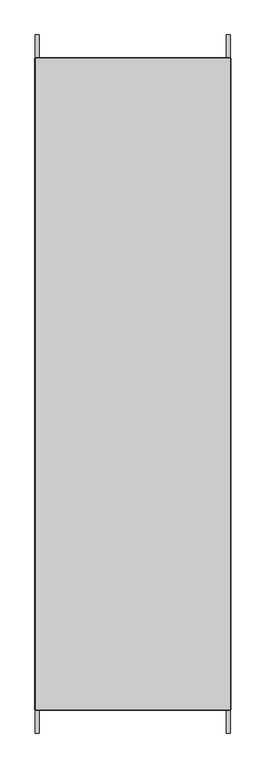
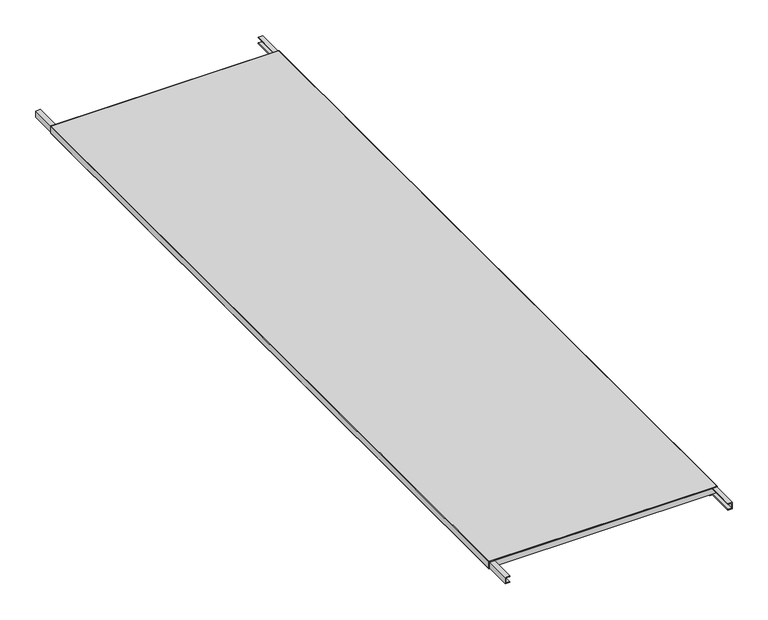
"""IFC4 building model written with IfcOpenShell, lengths in millimetres: proxy geometry."""

from ifc_helpers import new_model, si_unit, point, frame, frame_2d, origin, place, context, project, spatial, polyline, circle_curve, trimmed, segment, composite_curve, outline, extrude, source, transform, mapped, element, save
from ifc_brep_helpers import plane_surface, cylinder_surface, advanced_brep


def generic_models_5cea2504(model_context):
    return source(origin(), model_context, "Body", "SolidModel", [
        extrude(outline(polyline([(25.0, 410.0), (25.0, 425.0), (5.0, 425.0), (5.0, 410.0), (2.5, 410.0), (2.5, 427.5), (27.5, 427.5), (27.5, 410.0), (25.0, 410.0)])), frame((0.0, -1530.0, 0.0), z_axis=(0.0, 1.0, 0.0), x_axis=(0.0, 0.0, 1.0)), (0.0, 0.0, 1.0), 3060.0),
        extrude(outline(composite_curve([segment(trimmed(circle_curve(frame_2d((27.5, 427.5)), 2.5), [point((27.5, 430.0))], [point((30.0, 427.5))], False, "CARTESIAN"), True, "CONTINUOUS"), segment(polyline([(30.0, 427.5), (30.0, -427.5)]), True, "CONTINUOUS"), segment(trimmed(circle_curve(frame_2d((27.5, -427.5)), 2.5), [point((30.0, -427.5))], [point((27.5, -430.0))], False, "CARTESIAN"), True, "CONTINUOUS"), segment(polyline([(27.5, -430.0), (2.5, -430.0)]), True, "CONTINUOUS"), segment(trimmed(circle_curve(frame_2d((2.5, -427.5)), 2.5), [point((2.5, -430.0))], [point((0.0, -427.5))], False, "CARTESIAN"), True, "CONTINUOUS"), segment(polyline([(0.0, -427.5), (0.0, -400.0), (2.5, -400.0), (2.5, -427.5), (27.5, -427.5), (27.5, 427.5), (2.5, 427.5), (2.5, 400.0), (0.0, 400.0), (0.0, 427.5)]), True, "CONTINUOUS"), segment(trimmed(circle_curve(frame_2d((2.5, 427.5)), 2.5), [point((0.0, 427.5))], [point((2.5, 430.0))], False, "CARTESIAN"), True, "CONTINUOUS"), segment(polyline([(2.5, 430.0), (27.5, 430.0)]), True, "CONTINUOUS")], self_intersect=False)), frame((0.0, -1427.5, 0.0), z_axis=(0.0, 1.0, 0.0), x_axis=(0.0, 0.0, 1.0)), (0.0, 0.0, 1.0), 2855.0),
        extrude(outline(polyline([(25.0, -410.0), (27.5, -410.0), (27.5, -427.5), (2.5, -427.5), (2.5, -410.0), (5.0, -410.0), (5.0, -425.0), (25.0, -425.0), (25.0, -410.0)])), frame((0.0, -1530.0, 0.0), z_axis=(0.0, 1.0, 0.0), x_axis=(0.0, 0.0, 1.0)), (0.0, 0.0, 1.0), 3060.0),
        advanced_brep(
        [(-427.5, -1430.0, 27.5), (-427.5, -1427.5, 30.0), (-427.5, -1427.5, 27.5), (427.5, -1427.5, 30.0), (427.5, -1430.0, 27.5), (427.5, -1427.5, 27.5), (410.0, -1427.5, 27.5), (410.0, -1427.5, 25.0), (425.0, -1427.5, 25.0), (425.0, -1427.5, 5.0), (-425.0, -1427.5, 5.0), (-425.0, -1427.5, 25.0), (-410.0, -1427.5, 25.0), (-410.0, -1427.5, 27.5), (410.0, -1430.0, 27.5), (-410.0, -1430.0, 27.5), (-410.0, -1430.0, 25.0), (-425.0, -1430.0, 25.0), (-425.0, -1430.0, 5.0), (425.0, -1430.0, 5.0), (425.0, -1430.0, 25.0), (410.0, -1430.0, 25.0)],
        [
            (0, 1, circle_curve(frame((-427.5, -1427.5, 27.5), z_axis=(-1.0, 0.0, 0.0), x_axis=(0.0, 1.0, 0.0)), 2.5)),
            (1, 2),
            (2, 0),
            (3, 4, circle_curve(frame((427.5, -1427.5, 27.5), z_axis=(1.0, 0.0, 0.0), x_axis=(0.0, 1.0, 0.0)), 2.5)),
            (4, 5),
            (5, 3),
            (1, 3),
            (5, 6),
            (6, 7),
            (7, 8),
            (8, 9),
            (9, 10),
            (10, 11),
            (11, 12),
            (12, 13),
            (13, 2),
            (14, 15),
            (15, 16),
            (16, 17),
            (17, 18),
            (18, 19),
            (19, 20),
            (20, 21),
            (21, 14),
            (0, 15),
            (14, 4),
            (13, 15),
            (16, 12),
            (11, 17),
            (10, 18),
            (9, 19),
            (8, 20),
            (7, 21),
            (14, 6),
        ],
        [
            plane_surface(frame((-427.5, 0.0, 0.0), z_axis=(-1.0, 0.0, 0.0), x_axis=(0.0, 0.0, 1.0))),
            plane_surface(frame((427.5, 0.0, 0.0), z_axis=(1.0, 0.0, 0.0), x_axis=(0.0, 0.0, 1.0))),
            plane_surface(frame((-427.5, -1427.5, 30.0), z_axis=(0.0, 1.0, 0.0), x_axis=(1.0, 0.0, 0.0))),
            plane_surface(frame((-427.5, -1430.0, 0.0), z_axis=(0.0, -1.0, 0.0), x_axis=(1.0, 0.0, 0.0))),
            cylinder_surface(frame((-427.5, -1427.5, 27.5), z_axis=(-1.0, 0.0, 0.0), x_axis=(0.0, 1.0, 0.0)), 2.5),
            plane_surface(frame((-427.5, 1427.5, 27.5), z_axis=(0.0, 0.0, -1.0), x_axis=(0.0, -1.0, 0.0))),
            plane_surface(frame((-410.0, 1427.5, 25.0), z_axis=(0.0, 0.0, 1.0), x_axis=(0.0, -1.0, 0.0))),
            plane_surface(frame((-425.0, 1427.5, 25.0), z_axis=(-1.0, 0.0, 0.0), x_axis=(0.0, -1.0, 0.0))),
            plane_surface(frame((-425.0, 1427.5, 5.0), z_axis=(0.0, 0.0, -1.0), x_axis=(0.0, -1.0, 0.0))),
            plane_surface(frame((425.0, 1427.5, 5.0), z_axis=(1.0, 0.0, 0.0), x_axis=(0.0, -1.0, 0.0))),
            plane_surface(frame((425.0, 1427.5, 25.0), z_axis=(0.0, 0.0, 1.0), x_axis=(0.0, -1.0, 0.0))),
            plane_surface(frame((410.0, 1427.5, 27.5), z_axis=(0.0, 0.0, -1.0), x_axis=(0.0, -1.0, 0.0))),
            plane_surface(frame((-410.0, 1427.5, 27.5), z_axis=(-1.0, 0.0, 0.0), x_axis=(0.0, -1.0, 0.0))),
            plane_surface(frame((410.0, 1427.5, 25.0), z_axis=(1.0, 0.0, 0.0), x_axis=(0.0, -1.0, 0.0))),
        ],
        [
            (0, [[1, 2, 3]]),
            (1, [[4, 5, 6]]),
            (2, [[7, -6, 8, 9, 10, 11, 12, 13, 14, 15, 16, -2]]),
            (3, [[17, 18, 19, 20, 21, 22, 23, 24]]),
            (4, [[-1, 25, -17, 26, -4, -7]]),
            (5, [[27, -25, -3, -16]]),
            (6, [[28, -14, 29, -19]]),
            (7, [[-29, -13, 30, -20]]),
            (8, [[-30, -12, 31, -21]]),
            (9, [[-31, -11, 32, -22]]),
            (10, [[-32, -10, 33, -23]]),
            (11, [[34, -8, -5, -26]]),
            (12, [[-28, -18, -27, -15]]),
            (13, [[-34, -24, -33, -9]]),
        ],
    ),
        advanced_brep(
        [(-427.5, 1427.5, 0.0), (-427.5, 1427.5, 30.0), (-427.5, 1430.0, 27.5), (-427.5, 1430.0, 0.0), (427.5, 1430.0, 0.0), (427.5, 1430.0, 27.5), (427.5, 1427.5, 30.0), (427.5, 1427.5, 0.0)],
        [
            (0, 1),
            (1, 2, circle_curve(frame((-427.5, 1427.5, 27.5), z_axis=(-1.0, 0.0, 0.0), x_axis=(0.0, 1.0, 0.0)), 2.5)),
            (2, 3),
            (3, 0),
            (4, 5),
            (5, 6, circle_curve(frame((427.5, 1427.5, 27.5), z_axis=(1.0, 0.0, 0.0), x_axis=(0.0, 1.0, 0.0)), 2.5)),
            (6, 7),
            (7, 4),
            (3, 4),
            (7, 0),
            (6, 1),
            (2, 5),
        ],
        [
            plane_surface(frame((-427.5, 0.0, 0.0), z_axis=(-1.0, 0.0, 0.0), x_axis=(0.0, 0.0, 1.0))),
            plane_surface(frame((427.5, 0.0, 0.0), z_axis=(1.0, 0.0, 0.0), x_axis=(0.0, 0.0, 1.0))),
            plane_surface(frame((-427.5, 1430.0, 0.0), z_axis=(0.0, 0.0, -1.0), x_axis=(1.0, 0.0, 0.0))),
            plane_surface(frame((-427.5, 1427.5, 2.5), z_axis=(0.0, -1.0, 0.0), x_axis=(1.0, 0.0, 0.0))),
            plane_surface(frame((-427.5, 1430.0, 27.5), z_axis=(0.0, 1.0, 0.0), x_axis=(1.0, 0.0, 0.0))),
            cylinder_surface(frame((-427.5, 1427.5, 27.5), z_axis=(-1.0, 0.0, 0.0), x_axis=(0.0, 1.0, 0.0)), 2.5),
        ],
        [
            (0, [[1, 2, 3, 4]]),
            (1, [[5, 6, 7, 8]]),
            (2, [[9, -8, 10, -4]]),
            (3, [[11, -1, -10, -7]]),
            (4, [[-3, 12, -5, -9]]),
            (5, [[-2, -11, -6, -12]]),
        ],
    ),
    ])


if __name__ == "__main__":
    model = new_model("IFC4")
    model_context = context("Model", 3, world=origin())
    ifc_project = project(units=[si_unit("LENGTHUNIT", "METRE", prefix="MILLI")], contexts=[model_context])
    site = spatial("IfcSite", under=ifc_project)
    building = spatial("IfcBuilding", under=site)
    placement = place(None, origin())
    generic_models_shape = generic_models_5cea2504(model_context)
    element("IfcBuildingElementProxy", 1, Name="Generic Models", at=placement, inside=building, context=model_context, shape_type="MappedRepresentation", body=[
        mapped(generic_models_shape, transform((0.0, 0.0, 0.0), x_axis=(1.0, 0.0, 0.0), y_axis=(0.0, 1.0, 0.0), z_axis=(0.0, 0.0, 1.0))),
    ])
    save(model, "model.ifc")
